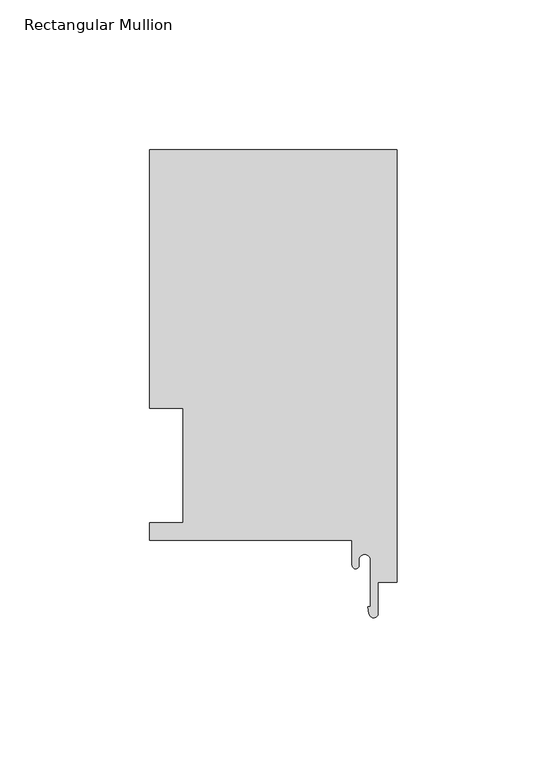
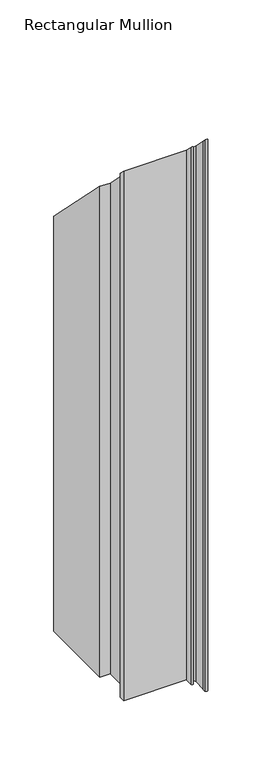
"""IFC4 building model written with IfcOpenShell, lengths in millimetres: member geometry, Rectangular Mullion."""

from ifc_helpers import new_model, si_unit, frame, origin, place, context, project, spatial, polyline, circle_curve, ellipse_curve, source, transform, mapped, element, save
from ifc_brep_helpers import plane_surface, cylinder_surface, revolved_surface, advanced_brep


def rectangular_mullion_9f5b335e(model_context):
    return source(origin(), model_context, "Body", "AdvancedBrep", [
        advanced_brep(
        [(-82.55, 130.6322, -602.2875251), (0.0, 130.6322, -602.2875251), (0.0, -13.5385716, -602.2875251), (-6.35, -13.5385716, -602.2875251), (-6.35, -23.8977531, -602.2875251), (-9.338383, -24.1171734, -602.2875251), (-9.6940977, -21.7079145, -602.2875251), (-8.89, -21.7079145, -602.2875251), (-8.89, -6.1214, -602.2875251), (-12.7, -6.1214, -602.2875251), (-12.7, -7.9405445, -602.2875251), (-14.986, -7.9405445, -602.2875251), (-14.986, 0.4064, -602.2875251), (-82.55, 0.4064, -602.2875251), (-82.55, 6.35, -602.2875251), (-71.4450019, 6.35, -602.2875251), (-71.4450019, 44.45, -602.2875251), (-82.55, 44.45, -602.2875251), (-82.55, 44.45, -44.45), (-82.55, 130.6322, -130.6322), (-71.4450019, 44.45, -44.45), (-71.4450019, 6.35, -6.35), (-82.55, 6.35, -6.35), (-82.55, 0.4064, -0.4064), (-14.986, 0.4064, -0.4064), (-14.986, -7.9405445, 7.9405445), (-12.7, -7.9405445, 7.9405445), (-12.7, -6.1214, 6.1214), (-8.89, -6.1214, 6.1214), (-8.89, -21.7079145, 21.7079145), (-9.6940977, -21.7079145, 21.7079145), (-9.338383, -24.1171734, 24.1171734), (-6.35, -23.8977531, 23.8977531), (-6.35, -13.5385716, 13.5385716), (0.0, -13.5385716, 13.5385716), (0.0, 130.6322, -130.6322)],
        [
            (0, 1),
            (1, 2),
            (2, 3),
            (3, 4),
            (4, 5, circle_curve(frame((-7.8522469, -23.8977531, -602.2875251), z_axis=(0.0, 0.0, -1.0), x_axis=(0.0, 1.0, 0.0)), 1.5022469)),
            (5, 6),
            (6, 7),
            (7, 8),
            (8, 9, circle_curve(frame((-10.795, -6.1214, -602.2875251), z_axis=(0.0, 0.0, 1.0), x_axis=(0.0, 1.0, 0.0)), 1.905)),
            (9, 10),
            (10, 11, circle_curve(frame((-13.843, -7.9405445, -602.2875251), z_axis=(0.0, 0.0, -1.0), x_axis=(0.0, 1.0, 0.0)), 1.143)),
            (11, 12),
            (12, 13),
            (13, 14),
            (14, 15),
            (15, 16),
            (16, 17),
            (17, 0),
            (18, 19),
            (19, 0),
            (17, 18),
            (20, 18),
            (16, 20),
            (21, 20),
            (15, 21),
            (22, 21),
            (14, 22),
            (23, 22),
            (13, 23),
            (24, 23),
            (12, 24),
            (25, 24),
            (11, 25),
            (26, 25, ellipse_curve(frame((-13.843, -7.9405445, 7.9405445), z_axis=(0.0, -0.7071067811865479, -0.7071067811865471), x_axis=(0.0, -0.7071067811865471, 0.7071067811865479)), 1.6164461, 1.143)),
            (10, 26),
            (27, 26),
            (9, 27),
            (28, 27, ellipse_curve(frame((-10.795, -6.1214, 6.1214), z_axis=(0.0, 0.7071067811865479, 0.7071067811865471), x_axis=(0.0, 0.7071067811865471, -0.7071067811865479)), 2.6940768, 1.905)),
            (8, 28),
            (29, 28),
            (7, 29),
            (30, 29),
            (6, 30),
            (31, 30),
            (5, 31),
            (32, 31, ellipse_curve(frame((-7.8522469, -23.8977531, 23.8977531), z_axis=(0.0, -0.7071067811865479, -0.7071067811865471), x_axis=(0.0, -0.7071067811865471, 0.7071067811865479)), 2.1244979, 1.5022469)),
            (4, 32),
            (33, 32),
            (3, 33),
            (34, 33),
            (2, 34),
            (35, 34),
            (1, 35),
            (19, 35),
        ],
        [
            plane_surface(frame((0.0, -154.5292017, -602.2875251), z_axis=(0.0, 0.0, -1.0), x_axis=(-1.0, 0.0, 0.0))),
            plane_surface(frame((-82.55, 130.6322, 0.0), z_axis=(-1.0, 0.0, 0.0), x_axis=(0.0, 0.0, -1.0))),
            plane_surface(frame((-82.55, 44.45, 0.0), z_axis=(0.0, -1.0, 0.0), x_axis=(0.0, 0.0, -1.0))),
            plane_surface(frame((-71.4450019, 44.45, 0.0), z_axis=(-1.0, 0.0, 0.0), x_axis=(0.0, 0.0, -1.0))),
            plane_surface(frame((-71.4450019, 6.35, 0.0), z_axis=(0.0, 1.0, 0.0), x_axis=(0.0, 0.0, -1.0))),
            plane_surface(frame((-82.55, 6.35, 0.0), z_axis=(-1.0, 0.0, 0.0), x_axis=(0.0, 0.0, -1.0))),
            plane_surface(frame((-82.55, 0.4064, 0.0), z_axis=(0.0, -1.0, 0.0), x_axis=(0.0, 0.0, -1.0))),
            plane_surface(frame((-14.986, 0.4064, 0.0), z_axis=(-1.0, 0.0, 0.0), x_axis=(0.0, 0.0, -1.0))),
            cylinder_surface(frame((-13.843, -7.9405445, 0.0), z_axis=(0.0, 0.0, 1.0), x_axis=(0.0, 1.0, 0.0)), 1.143),
            plane_surface(frame((-12.7, -7.9405445, 0.0), z_axis=(1.0, 0.0, 0.0), x_axis=(0.0, 0.0, -1.0))),
            revolved_surface(polyline([(-10.795, -4.2164, -602.2875251), (-10.795, -4.2164, 8.026399974317355)]), (-10.795, -6.1214, 0.0), (0.0, 0.0, -1.0)),
            plane_surface(frame((-8.89, -6.1214, 0.0), z_axis=(-1.0, 0.0, 0.0), x_axis=(0.0, 0.0, -1.0))),
            plane_surface(frame((-8.89, -21.7079145, 0.0), z_axis=(0.0, 1.0, 0.0), x_axis=(0.0, 0.0, -1.0))),
            plane_surface(frame((-9.6940977, -21.7079145, 0.0), z_axis=(-0.9892755186217809, -0.14606145369537674, 0.0), x_axis=(0.0, 0.0, -1.0))),
            cylinder_surface(frame((-7.8522469, -23.8977531, 0.0), z_axis=(0.0, 0.0, 1.0), x_axis=(0.0, 1.0, 0.0)), 1.5022469),
            plane_surface(frame((-6.35, -23.8977531, 0.0), z_axis=(1.0, 0.0, 0.0), x_axis=(0.0, 0.0, -1.0))),
            plane_surface(frame((-6.35, -13.5385716, 0.0), z_axis=(0.0, -1.0, 0.0), x_axis=(0.0, 0.0, -1.0))),
            plane_surface(frame((0.0, -13.5385716, 0.0), z_axis=(1.0, 0.0, 0.0), x_axis=(0.0, 0.0, -1.0))),
            plane_surface(frame((0.0, 130.6322, 0.0), z_axis=(0.0, 1.0, 0.0), x_axis=(0.0, 0.0, -1.0))),
            plane_surface(frame((-304.8, 0.0, 0.0), z_axis=(0.0, 0.7071067811865479, 0.7071067811865471), x_axis=(0.0, 0.7071067811865471, -0.7071067811865479))),
        ],
        [
            (0, [[1, 2, 3, 4, 5, 6, 7, 8, 9, 10, 11, 12, 13, 14, 15, 16, 17, 18]]),
            (1, [[19, 20, -18, 21]]),
            (2, [[22, -21, -17, 23]]),
            (3, [[24, -23, -16, 25]]),
            (4, [[26, -25, -15, 27]]),
            (5, [[28, -27, -14, 29]]),
            (6, [[30, -29, -13, 31]]),
            (7, [[32, -31, -12, 33]]),
            (8, [[34, -33, -11, 35]]),
            (9, [[36, -35, -10, 37]]),
            (10, [[38, -37, -9, 39]]),
            (11, [[40, -39, -8, 41]]),
            (12, [[42, -41, -7, 43]]),
            (13, [[44, -43, -6, 45]]),
            (14, [[46, -45, -5, 47]]),
            (15, [[48, -47, -4, 49]]),
            (16, [[50, -49, -3, 51]]),
            (17, [[52, -51, -2, 53]]),
            (18, [[54, -53, -1, -20]]),
            (19, [[-19, -22, -24, -26, -28, -30, -32, -34, -36, -38, -40, -42, -44, -46, -48, -50, -52, -54]]),
        ],
    ),
    ])


if __name__ == "__main__":
    model = new_model("IFC4")
    model_context = context("Model", 3, world=origin())
    ifc_project = project(units=[si_unit("LENGTHUNIT", "METRE", prefix="MILLI")], contexts=[model_context])
    site = spatial("IfcSite", under=ifc_project)
    building = spatial("IfcBuilding", under=site)
    placement = place(None, origin())
    rectangular_mullion_shape = rectangular_mullion_9f5b335e(model_context)
    element("IfcMember", 1, ObjectType="Rectangular Mullion", at=placement, inside=building, context=model_context, shape_type="MappedRepresentation", body=[
        mapped(rectangular_mullion_shape, transform((0.0, 0.0, 0.0), x_axis=(1.0, 0.0, 0.0), y_axis=(0.0, 1.0, 0.0), z_axis=(0.0, 0.0, 1.0))),
    ])
    save(model, "model.ifc")
